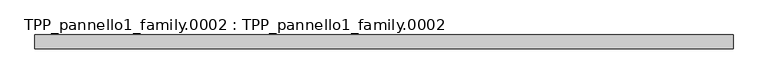
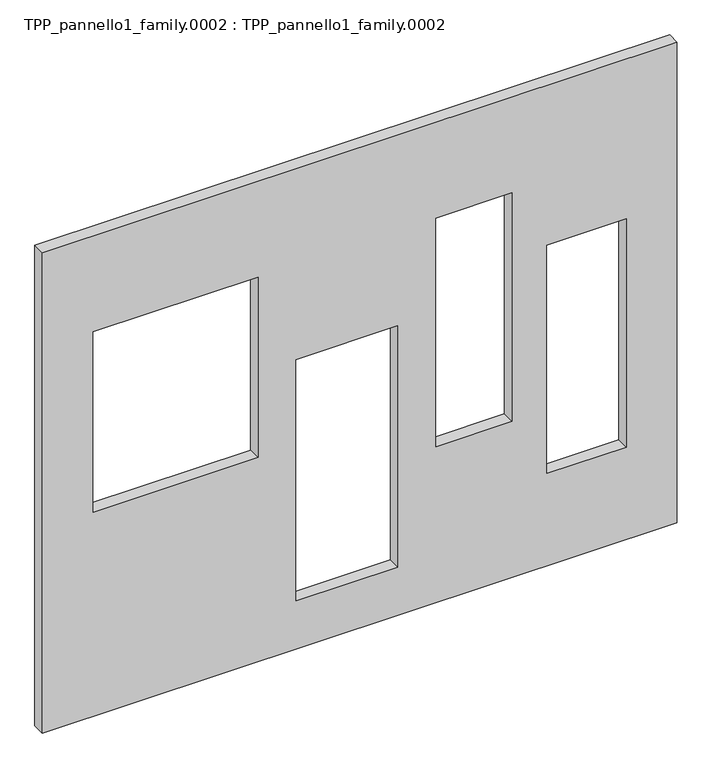
"""IFC4 building model written with IfcOpenShell, lengths in millimetres: proxy geometry, TPP_pannello1_family.0002 : TPP_pannello1_family.0002."""

import ifcopenshell
import ifcopenshell.guid

model = None  # the IFC model being written
_history = None  # IfcOwnerHistory: only IFC2X3 demands one
_inside = {}  # id of a spatial element -> (the spatial element, [elements in it])
_under = {}  # id of a project, library or spatial element -> (it, [spatial elements below it])
_declared = {}  # id of a project -> (the project, [libraries it declares])
_typed = {}  # id of a type object -> (the type object, [elements of that type])
_made_of = {}  # id of a material, layer set ... -> (it, [elements and type objects made of it])


def new_model(schema):
    """Start an empty IFC model of exactly this schema.

    Asked for "IFC4X3", IfcOpenShell would pick the latest addendum, in which some entities
    have other attributes; the version numbers below select the first issue.
    IFC2X3 requires an IfcOwnerHistory on every rooted entity: one is made here for all.
    """
    global model, _history
    if schema == "IFC4X3":
        model = ifcopenshell.file(schema_version=(4, 3, 0, 0))
    else:
        model = ifcopenshell.file(schema=schema)
    _inside.clear()
    _under.clear()
    _declared.clear()
    _typed.clear()
    _made_of.clear()
    _history = None
    if model.schema == "IFC2X3":
        org = make("IfcOrganization", Name="unknown")
        user = make(
            "IfcPersonAndOrganization",
            ThePerson=make("IfcPerson", FamilyName="unknown"),
            TheOrganization=org,
        )
        app = make(
            "IfcApplication",
            ApplicationDeveloper=org,
            Version="unknown",
            ApplicationFullName="unknown",
            ApplicationIdentifier="unknown",
        )
        _history = make(
            "IfcOwnerHistory",
            OwningUser=user,
            OwningApplication=app,
            ChangeAction="ADDED",
            CreationDate=0,
        )
    return model


def make(cls, **values):
    """One entity of the class cls with the attributes given. An attribute that is None is left unset."""
    return model.create_entity(
        cls, **{name: value for name, value in values.items() if value is not None}
    )


def rooted(cls, **values):
    """An entity with a GlobalId (a new one), such as an element, a storey or a relation."""
    return make(cls, GlobalId=ifcopenshell.guid.new(), OwnerHistory=_history, **values)


def si_unit(unit_type, name, prefix=None):
    """IfcSIUnit, for example si_unit("LENGTHUNIT", "METRE", prefix="MILLI")."""
    return make("IfcSIUnit", UnitType=unit_type, Prefix=prefix, Name=name)


def assignment(units):
    """IfcUnitAssignment: the units of a project."""
    return None if units is None else make("IfcUnitAssignment", Units=units)


def point(xyz):
    """IfcCartesianPoint."""
    return None if xyz is None else make("IfcCartesianPoint", Coordinates=xyz)


def direction(xyz):
    """IfcDirection."""
    return None if xyz is None else make("IfcDirection", DirectionRatios=xyz)


def frame(location, z_axis=None, x_axis=None):
    """IfcAxis2Placement3D, a coordinate frame: its origin and axes. An axis left out is left unset."""
    return make(
        "IfcAxis2Placement3D",
        Location=point(location),
        Axis=direction(z_axis),
        RefDirection=direction(x_axis),
    )


def origin():
    """The frame at (0, 0, 0) with its axes left unset."""
    return frame((0.0, 0.0, 0.0))


def place(relative_to, where):
    """IfcLocalPlacement: puts the frame where relative to a parent placement (None: the world)."""
    return make(
        "IfcLocalPlacement", PlacementRelTo=relative_to, RelativePlacement=where
    )


def context(
    kind, dimensions, precision=None, world=None, true_north=None, identifier=None
):
    """IfcGeometricRepresentationContext, for example the 3D "Model" context."""
    return make(
        "IfcGeometricRepresentationContext",
        ContextIdentifier=identifier,
        ContextType=kind,
        CoordinateSpaceDimension=dimensions,
        Precision=precision,
        WorldCoordinateSystem=world,
        TrueNorth=true_north,
    )


def project(units=None, contexts=None):
    """IfcProject with its units and contexts."""
    return rooted(
        "IfcProject",
        Name="project",
        RepresentationContexts=contexts,
        UnitsInContext=assignment(units),
    )


def spatial(cls, under=None, at=None, **own):
    """A site, building, storey or space (cls), placed at a placement, below another one or the project."""
    s = rooted(cls, ObjectPlacement=at, **own)
    if under is not None:
        _under.setdefault(under.id(), (under, []))[1].append(s)
    return s


def polyline(points):
    """IfcPolyline through the points."""
    return make("IfcPolyline", Points=[point(p) for p in points])


def outline(outer, holes=None, kind="AREA"):
    """IfcArbitraryClosedProfileDef: a profile drawn as a closed curve; with holes, ...WithVoids."""
    if holes is None:
        return make("IfcArbitraryClosedProfileDef", ProfileType=kind, OuterCurve=outer)
    return make(
        "IfcArbitraryProfileDefWithVoids",
        ProfileType=kind,
        OuterCurve=outer,
        InnerCurves=holes,
    )


def extrude(swept, where, along, depth):
    """IfcExtrudedAreaSolid: the profile swept, set in the frame where, extruded along a direction by depth."""
    return make(
        "IfcExtrudedAreaSolid",
        SweptArea=swept,
        Position=where,
        ExtrudedDirection=direction(along),
        Depth=depth,
    )


def shape(context_of_items, identifier, shape_type, items):
    """IfcShapeRepresentation: the items that make up one representation, for example the "Body"."""
    return make(
        "IfcShapeRepresentation",
        ContextOfItems=context_of_items,
        RepresentationIdentifier=identifier,
        RepresentationType=shape_type,
        Items=items,
    )


def source(mapping_origin, context_of_items, identifier, shape_type, items):
    """IfcRepresentationMap: a shape defined once, which mapped items show again and again."""
    return make(
        "IfcRepresentationMap",
        MappingOrigin=mapping_origin,
        MappedRepresentation=shape(context_of_items, identifier, shape_type, items),
    )


def transform(
    local_origin,
    x_axis=None,
    y_axis=None,
    z_axis=None,
    scale=None,
    scale2=None,
    scale3=None,
    uniform=True,
):
    """IfcCartesianTransformationOperator3D, or its non-uniform kind. x_axis, y_axis, z_axis: its Axis1, 2, 3."""
    if uniform:
        return make(
            "IfcCartesianTransformationOperator3D",
            Axis1=direction(x_axis),
            Axis2=direction(y_axis),
            LocalOrigin=point(local_origin),
            Scale=scale,
            Axis3=direction(z_axis),
        )
    return make(
        "IfcCartesianTransformationOperator3DnonUniform",
        Axis1=direction(x_axis),
        Axis2=direction(y_axis),
        LocalOrigin=point(local_origin),
        Scale=scale,
        Axis3=direction(z_axis),
        Scale2=scale2,
        Scale3=scale3,
    )


def mapped(mapping_source, mapping_target):
    """IfcMappedItem: shows the shape of a source again, moved by a transform."""
    return make(
        "IfcMappedItem", MappingSource=mapping_source, MappingTarget=mapping_target
    )


def made_of(thing, what):
    """Note that an element or type object is made of a material, layer set ...; save() writes the relation."""
    if what is not None:
        _made_of.setdefault(what.id(), (what, []))[1].append(thing)
    return thing


def element(
    cls,
    number,
    at=None,
    inside=None,
    cuts=None,
    type_object=None,
    material=None,
    context=None,
    identifier="Body",
    shape_type=None,
    held_by="IfcProductDefinitionShape",
    body=None,
    shapes=None,
    **own,
):
    """One element of the class cls, such as IfcWall. Its Tag is "e" and its number.

    at: its placement. inside: the storey or other place that contains it. cuts: it is an
    opening in that element (IfcRelVoidsElement). A single representation is given by context,
    identifier, shape_type and body (its items); several are given by shapes. held_by: the class
    of the entity that holds the representations. save() writes the other relations.
    """
    e = rooted(cls, Tag="e%d" % number, ObjectPlacement=at, **own)
    if body is not None:
        shapes = [shape(context, identifier, shape_type, body)]
    if shapes is not None:
        e.Representation = make(held_by, Representations=shapes)
    if inside is not None:
        _inside.setdefault(inside.id(), (inside, []))[1].append(e)
    if cuts is not None:
        rooted(
            "IfcRelVoidsElement", RelatingBuildingElement=cuts, RelatedOpeningElement=e
        )
    if type_object is not None:
        _typed.setdefault(type_object.id(), (type_object, []))[1].append(e)
    return made_of(e, material)


def aggregate(whole, parts):
    """IfcRelAggregates: a whole, such as a stair, and the parts it consists of."""
    return rooted("IfcRelAggregates", RelatingObject=whole, RelatedObjects=parts)


def save(model, path):
    """Write the relations noted so far, then the file.

    IfcRelAggregates (storeys below a building ...), IfcRelContainedInSpatialStructure (elements
    in a storey), IfcRelDefinesByType, IfcRelAssociatesMaterial and IfcRelDeclares: one each for
    every whole, place, type object, material and project.
    """
    for whole, parts in _under.values():
        aggregate(whole, parts)
    for where, things in _inside.values():
        rooted(
            "IfcRelContainedInSpatialStructure",
            RelatedElements=things,
            RelatingStructure=where,
        )
    for kind, things in _typed.values():
        rooted("IfcRelDefinesByType", RelatedObjects=things, RelatingType=kind)
    for what, things in _made_of.values():
        rooted("IfcRelAssociatesMaterial", RelatedObjects=things, RelatingMaterial=what)
    for by, libraries in _declared.values():
        rooted("IfcRelDeclares", RelatingContext=by, RelatedDefinitions=libraries)
    model.write(path)


def tpp_pannello1_family_0002_tpp_pannello1_family_0002_bf40eaff(model_context):
    return source(origin(), model_context, "Body", "SweptSolid", [
        extrude(outline(polyline([(200.0, 5000.0), (4200.0, 5000.0), (4200.0, 0.0), (200.0, 0.0), (200.0, 5000.0)]), holes=[polyline([(2609.0581012, 2000.0), (2609.0581012, 2800.0), (600.0, 2800.0), (600.0, 2000.0), (2609.0581012, 2000.0)]), polyline([(3400.0, 1700.0), (1900.0, 1700.0), (1900.0, 400.0), (3400.0, 400.0), (3400.0, 1700.0)]), polyline([(1500.0, 3100.0), (3400.0, 3100.0), (3400.0, 3700.0), (1500.0, 3700.0), (1500.0, 3100.0)]), polyline([(969.0298433, 4600.0), (969.0298433, 3975.387737), (2869.0298433, 3975.387737), (2869.0298433, 4600.0), (969.0298433, 4600.0)])]), frame((0.0, -100.0, 0.0), z_axis=(0.0, 1.0, 0.0), x_axis=(0.0, 0.0, 1.0)), (0.0, 0.0, 1.0), 100.0),
    ])


if __name__ == "__main__":
    model = new_model("IFC4")
    model_context = context("Model", 3, world=origin())
    ifc_project = project(units=[si_unit("LENGTHUNIT", "METRE", prefix="MILLI")], contexts=[model_context])
    site = spatial("IfcSite", under=ifc_project)
    building = spatial("IfcBuilding", under=site)
    placement = place(None, origin())
    tpp_pannello1_family_0002_tpp_pannello1_family_0002_shape = tpp_pannello1_family_0002_tpp_pannello1_family_0002_bf40eaff(model_context)
    element("IfcBuildingElementProxy", 1, Name="TPP_pannello1_family.0002 : TPP_pannello1_family.0002", ObjectType="TPP_pannello1_family.0002 : TPP_pannello1_family.0002", at=placement, inside=building, context=model_context, shape_type="MappedRepresentation", body=[
        mapped(tpp_pannello1_family_0002_tpp_pannello1_family_0002_shape, transform((0.0, 0.0, 0.0), x_axis=(1.0, 0.0, 0.0), y_axis=(0.0, 1.0, 0.0), z_axis=(0.0, 0.0, 1.0))),
    ])
    save(model, "model.ifc")
